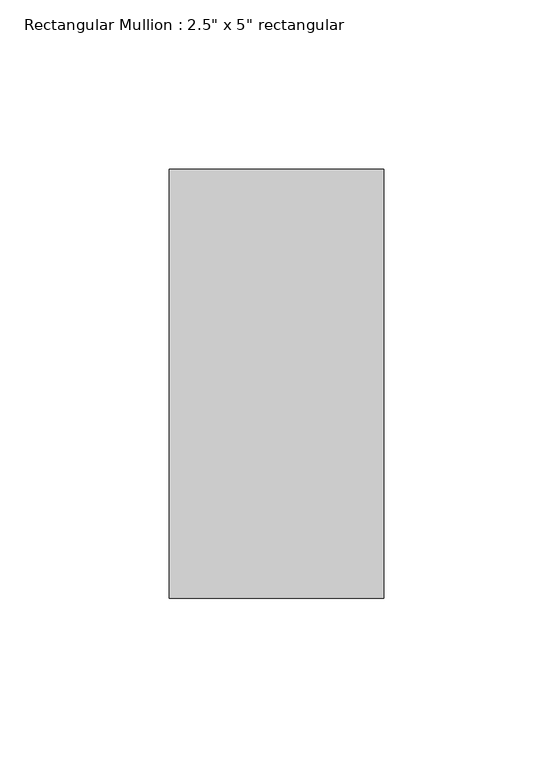
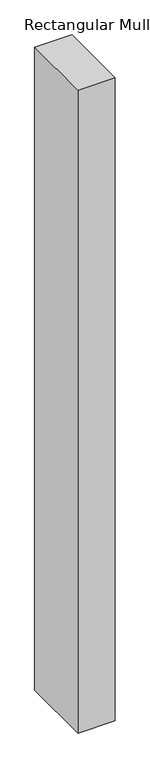
"""IFC4 building model written with IfcOpenShell, lengths in millimetres: member geometry."""

from ifc_helpers import new_model, si_unit, frame, origin, place, context, project, spatial, polyline, outline, extrude, source, transform, mapped, element, save


def member_8821e759(model_context):
    return source(origin(), model_context, "Body", "SweptSolid", [
        extrude(outline(polyline([(31.75, 63.5), (31.75, -63.5), (-31.75, -63.5), (-31.75, 63.5), (31.75, 63.5)])), frame((0.0, 0.0, -1155.55), z_axis=(0.0, 0.0, 1.0), x_axis=(1.0, 0.0, 0.0)), (0.0, 0.0, 1.0), 1155.55),
    ])


if __name__ == "__main__":
    model = new_model("IFC4")
    model_context = context("Model", 3, world=origin())
    ifc_project = project(units=[si_unit("LENGTHUNIT", "METRE", prefix="MILLI")], contexts=[model_context])
    site = spatial("IfcSite", under=ifc_project)
    building = spatial("IfcBuilding", under=site)
    placement = place(None, origin())
    member_shape = member_8821e759(model_context)
    element("IfcMember", 1, ObjectType="Rectangular Mullion : 2.5\" x 5\" rectangular", at=placement, inside=building, context=model_context, shape_type="MappedRepresentation", body=[
        mapped(member_shape, transform((0.0, 0.0, 0.0), x_axis=(1.0, 0.0, 0.0), y_axis=(0.0, 1.0, 0.0), z_axis=(0.0, 0.0, 1.0))),
    ])
    save(model, "model.ifc")
